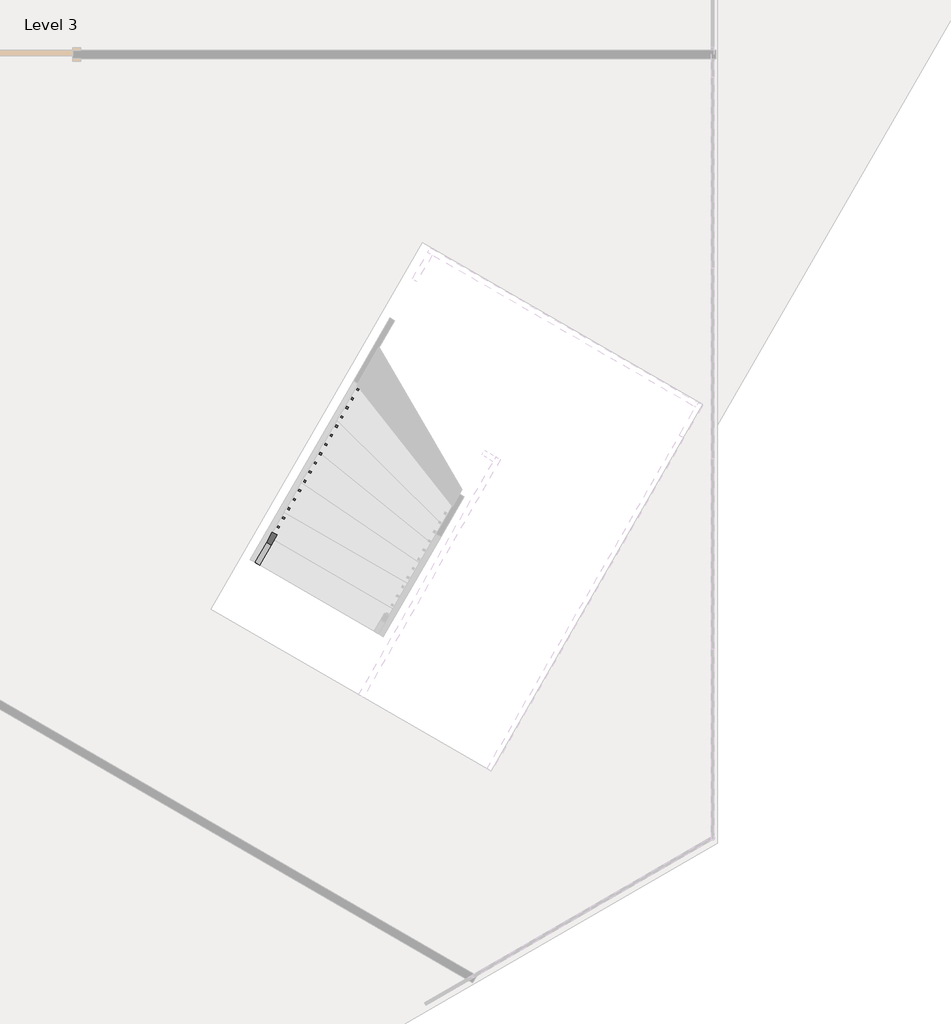
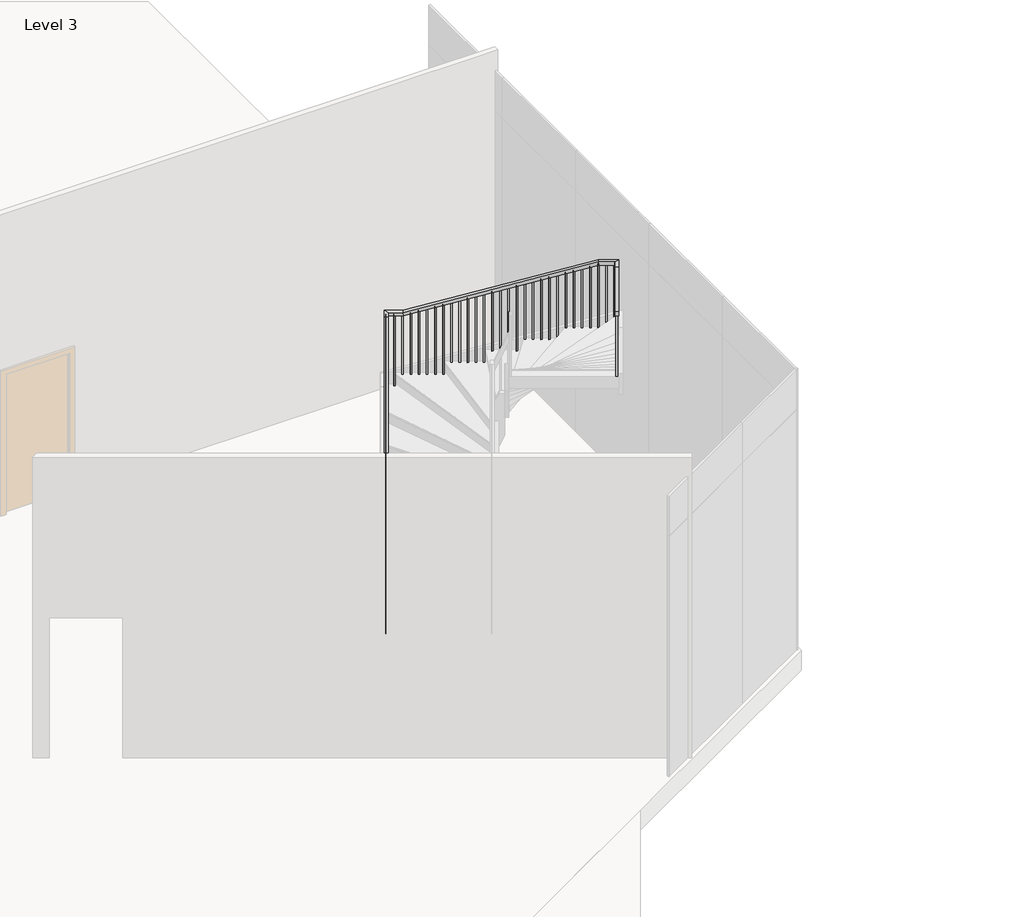
# One storey, part 3 of 5: 1 railing.
"""IFC4 building model written with IfcOpenShell, lengths in millimetres."""

from ifc_helpers import new_model, si_unit, frame, origin, place, context, project, spatial, polyline, outline, extrude, faceted_brep, element, save

model = new_model("IFC4")

# Units and contexts
model_context = context("Model", 3, world=origin())
ifc_project = project(units=[si_unit("LENGTHUNIT", "METRE", prefix="MILLI")], contexts=[model_context])

# Site, building, storey
site = spatial("IfcSite", under=ifc_project)
building = spatial("IfcBuilding", under=site)
storey = spatial("IfcBuildingStorey", under=building, Name="Level 3", Elevation=12192.0)

# Railing
placement = place(None, origin())
element("IfcRailing", 1, ObjectType="Handrail - Rectangular", at=placement, inside=storey, context=model_context, shape_type="SolidModel", body=[
    faceted_brep([(54295.3554538, -117408.8419097, 13282.2461538), (54295.3554538, -117408.8419097, 13225.4945841), (54339.3538093, -117434.2345211, 13225.4945841), (54339.3538093, -117434.2345211, 13282.2461538), (55919.4528111, -114594.7314645, 14900.4336285), (55925.426117, -114584.3813815, 14849.6336285), (55969.4244725, -114609.7739929, 14849.6336285), (55963.4511666, -114620.1240759, 14900.4336285), (55997.1584277, -114460.0891745, 14900.4336285), (55997.1584277, -114460.0891745, 14849.6336285), (56015.7641719, -114529.4801414, 14849.6336285), (56015.7641719, -114529.4801414, 14900.4336285), (56196.5956379, -114575.1896485, 14900.4336285), (56203.3854407, -114579.1082227, 14849.6336285), (56177.9928293, -114623.1065782, 14849.6336285), (56171.2030265, -114619.188004, 14900.4336285), (58305.5331789, -115792.3131245, 15670.2893522), (58312.3229817, -115796.2316988, 15619.4893522), (58286.9303703, -115840.2300543, 15619.4893522), (58280.1405675, -115836.31148, 15670.2893522), (58525.9750192, -115919.5359245, 15670.2893522), (58525.9750192, -115919.5359245, 15619.4893522), (58456.5840523, -115938.1416686, 15619.4893522), (58456.5840523, -115938.1416686, 15670.2893522), (58443.9888374, -116061.5952471, 15670.2893522), (58437.7539841, -116072.3985194, 15619.4893522), (58393.7556285, -116047.005908, 15619.4893522), (58399.9904819, -116036.2026358, 15670.2893522), (56523.2126938, -119389.7677759, 17678.4), (56479.2143382, -119364.3751645, 17678.4), (56479.2143382, -119364.3751645, 17621.0816582), (56523.2126938, -119389.7677759, 17621.0816582)], [[[0, 1, 2, 3]], [[1, 0, 4, 5]], [[2, 1, 5, 6]], [[3, 2, 6, 7]], [[0, 3, 7, 4]], [[5, 4, 8, 9]], [[6, 5, 9, 10]], [[7, 6, 10, 11]], [[4, 7, 11, 8]], [[9, 8, 12, 13]], [[10, 9, 13, 14]], [[11, 10, 14, 15]], [[8, 11, 15, 12]], [[13, 12, 16, 17]], [[14, 13, 17, 18]], [[15, 14, 18, 19]], [[12, 15, 19, 16]], [[17, 16, 20, 21]], [[18, 17, 21, 22]], [[19, 18, 22, 23]], [[16, 19, 23, 20]], [[21, 20, 24, 25]], [[22, 21, 25, 26]], [[23, 22, 26, 27]], [[20, 23, 27, 24]], [[28, 29, 30, 31]], [[25, 24, 28, 31]], [[26, 25, 31, 30]], [[27, 26, 30, 29]], [[24, 27, 29, 28]]]),
    extrude(outline(polyline([(223.6224054, 19.05), (1251.6561526, 19.05), (1251.6561526, 0.0), (233.5775947, 0.0), (223.6224054, 19.05)])), frame((56523.6666546, -119357.2219492, 17839.8099988), z_axis=(-0.8661093604012479, 0.4998545546709976, 0.0), x_axis=(0.0, 0.0, -1.0)), (0.0, 0.0, 1.0), 19.05),
    extrude(outline(polyline([(223.6224054, 19.05), (1198.56181, 19.05), (1198.56181, 0.0), (233.5775946, 0.0), (223.6224054, 19.05)])), frame((56574.4518773, -119269.2252382, 17786.7156562), z_axis=(-0.8661093604012479, 0.4998545546709976, 0.0), x_axis=(0.0, 0.0, -1.0)), (0.0, 0.0, 1.0), 19.05),
    extrude(outline(polyline([(223.6224054, 19.0500001), (1145.4674674, 19.0500001), (1145.4674674, 0.0), (233.5775946, 0.0), (223.6224054, 19.0500001)])), frame((56625.2371001, -119181.2285271, 17733.6213136), z_axis=(-0.8661093604012479, 0.4998545546709976, 0.0), x_axis=(0.0, 0.0, -1.0)), (0.0, 0.0, 1.0), 19.05),
    extrude(outline(polyline([(223.6224053, 19.05), (1268.2192787, 19.05), (1268.2192787, 0.0), (233.5775946, 0.0), (223.6224053, 19.05)])), frame((56676.0223229, -119093.2318161, 17680.526971), z_axis=(-0.8661093604012479, 0.4998545546709976, 0.0), x_axis=(0.0, 0.0, -1.0)), (0.0, 0.0, 1.0), 19.05),
    extrude(outline(polyline([(223.6224054, 19.05), (1215.1249362, 19.05), (1215.1249362, 0.0), (233.5775946, 0.0), (223.6224054, 19.05)])), frame((56726.8075456, -119005.2351051, 17627.4326285), z_axis=(-0.8661093604012479, 0.4998545546709976, 0.0), x_axis=(0.0, 0.0, -1.0)), (0.0, 0.0, 1.0), 19.05),
    extrude(outline(polyline([(223.6224054, 19.05), (1162.0305936, 19.05), (1162.0305936, 0.0), (233.5775946, 0.0), (223.6224054, 19.05)])), frame((56777.5927684, -118917.2383941, 17574.3382859), z_axis=(-0.8661093604012479, 0.4998545546709976, 0.0), x_axis=(0.0, 0.0, -1.0)), (0.0, 0.0, 1.0), 19.05),
    extrude(outline(polyline([(223.6224053, 19.05), (1284.7824048, 19.05), (1284.7824048, 0.0), (233.5775946, 0.0), (223.6224053, 19.05)])), frame((56828.3779911, -118829.2416831, 17521.2439433), z_axis=(-0.8661093604012479, 0.4998545546709976, 0.0), x_axis=(0.0, 0.0, -1.0)), (0.0, 0.0, 1.0), 19.05),
    extrude(outline(polyline([(223.6224054, 19.05), (1231.6880623, 19.05), (1231.6880623, 0.0), (233.5775946, 0.0), (223.6224054, 19.05)])), frame((56879.1632139, -118741.2449721, 17468.1496008), z_axis=(-0.8661093604012479, 0.4998545546709976, 0.0), x_axis=(0.0, 0.0, -1.0)), (0.0, 0.0, 1.0), 19.05),
    extrude(outline(polyline([(223.6224054, 19.05), (1178.5937197, 19.05), (1178.5937197, 0.0), (233.5775946, 0.0), (223.6224054, 19.05)])), frame((56929.9484366, -118653.248261, 17415.0552582), z_axis=(-0.8661093604012479, 0.4998545546709976, 0.0), x_axis=(0.0, 0.0, -1.0)), (0.0, 0.0, 1.0), 19.05),
    extrude(outline(polyline([(223.6224053, 19.05), (1301.345531, 19.05), (1301.345531, 0.0), (233.5775946, 0.0), (223.6224053, 19.05)])), frame((56980.7336594, -118565.25155, 17361.9609156), z_axis=(-0.8661093604012479, 0.4998545546709976, 0.0), x_axis=(0.0, 0.0, -1.0)), (0.0, 0.0, 1.0), 19.05),
    extrude(outline(polyline([(223.6224054, 19.05), (1248.2511885, 19.05), (1248.2511885, 0.0), (233.5775946, 0.0), (223.6224054, 19.05)])), frame((57031.5188821, -118477.254839, 17308.8665731), z_axis=(-0.8661093604012479, 0.4998545546709976, 0.0), x_axis=(0.0, 0.0, -1.0)), (0.0, 0.0, 1.0), 19.05),
    extrude(outline(polyline([(223.6224054, 19.05), (1195.1568459, 19.05), (1195.1568459, 0.0), (233.5775946, 0.0), (223.6224054, 19.05)])), frame((57082.3041049, -118389.258128, 17255.7722305), z_axis=(-0.8661093604012479, 0.4998545546709976, 0.0), x_axis=(0.0, 0.0, -1.0)), (0.0, 0.0, 1.0), 19.05),
    extrude(outline(polyline([(223.6224053, 19.05), (1317.9086571, 19.05), (1317.9086571, 0.0), (233.5775946, 0.0), (223.6224053, 19.05)])), frame((57133.0893276, -118301.261417, 17202.6778879), z_axis=(-0.8661093604012479, 0.4998545546709976, 0.0), x_axis=(0.0, 0.0, -1.0)), (0.0, 0.0, 1.0), 19.05),
    extrude(outline(polyline([(223.6224054, 19.05), (1264.8143146, 19.05), (1264.8143146, 0.0), (233.5775946, 0.0), (223.6224054, 19.05)])), frame((57183.8745504, -118213.264706, 17149.5835454), z_axis=(-0.8661093604012479, 0.4998545546709976, 0.0), x_axis=(0.0, 0.0, -1.0)), (0.0, 0.0, 1.0), 19.05),
    extrude(outline(polyline([(223.6224054, 19.0500001), (1211.719972, 19.0500001), (1211.719972, 0.0), (233.5775946, 0.0), (223.6224054, 19.0500001)])), frame((57234.6597732, -118125.2679949, 17096.4892028), z_axis=(-0.8661093604012479, 0.4998545546709976, 0.0), x_axis=(0.0, 0.0, -1.0)), (0.0, 0.0, 1.0), 19.05),
    extrude(outline(polyline([(223.6224053, 19.05), (1334.4717833, 19.05), (1334.4717833, 0.0), (233.5775946, 0.0), (223.6224053, 19.05)])), frame((57285.4449959, -118037.2712839, 17043.3948602), z_axis=(-0.8661093604012479, 0.4998545546709976, 0.0), x_axis=(0.0, 0.0, -1.0)), (0.0, 0.0, 1.0), 19.05),
    extrude(outline(polyline([(223.6224054, 19.05), (1281.3774408, 19.05), (1281.3774408, 0.0), (233.5775946, 0.0), (223.6224054, 19.05)])), frame((57336.2302187, -117949.2745729, 16990.3005177), z_axis=(-0.8661093604012479, 0.4998545546709976, 0.0), x_axis=(0.0, 0.0, -1.0)), (0.0, 0.0, 1.0), 19.05),
    extrude(outline(polyline([(223.6224054, 19.05), (1228.2830982, 19.05), (1228.2830982, 0.0), (233.5775946, 0.0), (223.6224054, 19.05)])), frame((57387.0154414, -117861.2778619, 16937.2061751), z_axis=(-0.8661093604012479, 0.4998545546709976, 0.0), x_axis=(0.0, 0.0, -1.0)), (0.0, 0.0, 1.0), 19.05),
    extrude(outline(polyline([(223.6224053, 19.05), (1351.0349094, 19.05), (1351.0349094, 0.0), (233.5775946, 0.0), (223.6224053, 19.05)])), frame((57437.8006642, -117773.2811509, 16884.1118325), z_axis=(-0.8661093604012479, 0.4998545546709976, 0.0), x_axis=(0.0, 0.0, -1.0)), (0.0, 0.0, 1.0), 19.05),
    extrude(outline(polyline([(223.6224054, 19.05), (1297.9405669, 19.05), (1297.9405669, 0.0), (233.5775946, 0.0), (223.6224054, 19.05)])), frame((57488.5858869, -117685.2844399, 16831.01749), z_axis=(-0.8661093604012479, 0.4998545546709976, 0.0), x_axis=(0.0, 0.0, -1.0)), (0.0, 0.0, 1.0), 19.05),
    extrude(outline(polyline([(223.6224054, 19.0500001), (1244.8462243, 19.0500001), (1244.8462243, 0.0), (233.5775946, 0.0), (223.6224054, 19.0500001)])), frame((57539.3711097, -117597.2877288, 16777.9231474), z_axis=(-0.8661093604012479, 0.4998545546709976, 0.0), x_axis=(0.0, 0.0, -1.0)), (0.0, 0.0, 1.0), 19.05),
    extrude(outline(polyline([(223.6224053, 19.05), (1191.7518817, 19.05), (1191.7518817, 0.0), (233.5775946, 0.0), (223.6224053, 19.05)])), frame((57590.1563324, -117509.2910178, 16724.8288048), z_axis=(-0.8661093604012479, 0.4998545546709976, 0.0), x_axis=(0.0, 0.0, -1.0)), (0.0, 0.0, 1.0), 19.05),
    extrude(outline(polyline([(223.6224054, 19.05), (1314.5036931, 19.05), (1314.5036931, 0.0), (233.5775946, 0.0), (223.6224054, 19.05)])), frame((57640.9415552, -117421.2943068, 16671.7344623), z_axis=(-0.8661093604012479, 0.4998545546709976, 0.0), x_axis=(0.0, 0.0, -1.0)), (0.0, 0.0, 1.0), 19.05),
    extrude(outline(polyline([(223.6224054, 19.05), (1261.4093505, 19.05), (1261.4093505, 0.0), (233.5775946, 0.0), (223.6224054, 19.05)])), frame((57691.7267779, -117333.2975958, 16618.6401197), z_axis=(-0.8661093604012479, 0.4998545546709976, 0.0), x_axis=(0.0, 0.0, -1.0)), (0.0, 0.0, 1.0), 19.05),
    extrude(outline(polyline([(223.6224053, 19.05), (1208.3150079, 19.05), (1208.3150079, 0.0), (233.5775946, 0.0), (223.6224053, 19.05)])), frame((57742.5120007, -117245.3008848, 16565.5457771), z_axis=(-0.8661093604012479, 0.4998545546709976, 0.0), x_axis=(0.0, 0.0, -1.0)), (0.0, 0.0, 1.0), 19.05),
    extrude(outline(polyline([(223.6224054, 19.05), (1331.0668192, 19.05), (1331.0668192, 0.0), (233.5775946, 0.0), (223.6224054, 19.05)])), frame((57793.2972235, -117157.3041738, 16512.4514346), z_axis=(-0.8661093604012479, 0.4998545546709976, 0.0), x_axis=(0.0, 0.0, -1.0)), (0.0, 0.0, 1.0), 19.05),
    extrude(outline(polyline([(223.6224054, 19.0500001), (1277.9724766, 19.0500001), (1277.9724766, 0.0), (233.5775946, 0.0), (223.6224054, 19.0500001)])), frame((57844.0824462, -117069.3074627, 16459.357092), z_axis=(-0.8661093604012479, 0.4998545546709976, 0.0), x_axis=(0.0, 0.0, -1.0)), (0.0, 0.0, 1.0), 19.05),
    extrude(outline(polyline([(223.6224053, 19.05), (1224.878134, 19.05), (1224.878134, 0.0), (233.5775946, 0.0), (223.6224053, 19.05)])), frame((57894.867669, -116981.3107517, 16406.2627494), z_axis=(-0.8661093604012479, 0.4998545546709976, 0.0), x_axis=(0.0, 0.0, -1.0)), (0.0, 0.0, 1.0), 19.05),
    extrude(outline(polyline([(223.6224054, 19.05), (1171.7837915, 19.05), (1171.7837915, 0.0), (233.5775946, 0.0), (223.6224054, 19.05)])), frame((57945.6528917, -116893.3140407, 16353.1684069), z_axis=(-0.8661093604012479, 0.4998545546709976, 0.0), x_axis=(0.0, 0.0, -1.0)), (0.0, 0.0, 1.0), 19.05),
    extrude(outline(polyline([(223.6224054, 19.05), (1294.5356028, 19.05), (1294.5356028, 0.0), (233.5775946, 0.0), (223.6224054, 19.05)])), frame((57996.4381145, -116805.3173297, 16300.0740643), z_axis=(-0.8661093604012479, 0.4998545546709976, 0.0), x_axis=(0.0, 0.0, -1.0)), (0.0, 0.0, 1.0), 19.05),
    extrude(outline(polyline([(223.6224053, 19.05), (1241.4412602, 19.05), (1241.4412602, 0.0), (233.5775946, 0.0), (223.6224053, 19.05)])), frame((58047.2233372, -116717.3206187, 16246.9797217), z_axis=(-0.8661093604012479, 0.4998545546709976, 0.0), x_axis=(0.0, 0.0, -1.0)), (0.0, 0.0, 1.0), 19.05),
    extrude(outline(polyline([(223.6224054, 19.05), (1188.3469177, 19.05), (1188.3469177, 0.0), (233.5775946, 0.0), (223.6224054, 19.05)])), frame((58098.00856, -116629.3239077, 16193.8853792), z_axis=(-0.8661093604012479, 0.4998545546709976, 0.0), x_axis=(0.0, 0.0, -1.0)), (0.0, 0.0, 1.0), 19.05),
    extrude(outline(polyline([(223.6224054, 19.05), (1135.2525751, 19.05), (1135.2525751, 0.0), (233.5775946, 0.0), (223.6224054, 19.05)])), frame((58148.7937827, -116541.3271966, 16140.7910366), z_axis=(-0.8661093604012479, 0.4998545546709976, 0.0), x_axis=(0.0, 0.0, -1.0)), (0.0, 0.0, 1.0), 19.05),
    extrude(outline(polyline([(223.6224053, 19.05), (1258.0043863, 19.05), (1258.0043863, 0.0), (233.5775946, 0.0), (223.6224053, 19.05)])), frame((58199.5790055, -116453.3304856, 16087.696694), z_axis=(-0.8661093604012479, 0.4998545546709976, 0.0), x_axis=(0.0, 0.0, -1.0)), (0.0, 0.0, 1.0), 19.05),
    extrude(outline(polyline([(223.6224054, 19.05), (1204.9100438, 19.05), (1204.9100438, 0.0), (233.5775946, 0.0), (223.6224054, 19.05)])), frame((58250.3642282, -116365.3337746, 16034.6023515), z_axis=(-0.8661093604012479, 0.4998545546709976, 0.0), x_axis=(0.0, 0.0, -1.0)), (0.0, 0.0, 1.0), 19.05),
    extrude(outline(polyline([(223.6224054, 19.05), (1151.8157012, 19.05), (1151.8157012, 0.0), (233.5775946, 0.0), (223.6224054, 19.05)])), frame((58301.149451, -116277.3370636, 15981.5080089), z_axis=(-0.8661093604012479, 0.4998545546709976, 0.0), x_axis=(0.0, 0.0, -1.0)), (0.0, 0.0, 1.0), 19.05),
    extrude(outline(polyline([(223.6224053, 19.05), (1098.7213586, 19.05), (1098.7213586, 0.0), (233.5775946, 0.0), (223.6224053, 19.05)])), frame((58351.9346738, -116189.3403526, 15928.4136663), z_axis=(-0.8661093604012479, 0.4998545546709976, 0.0), x_axis=(0.0, 0.0, -1.0)), (0.0, 0.0, 1.0), 19.05),
    extrude(outline(polyline([(223.6224054, 19.05), (1045.6270161, 19.05), (1045.6270161, 0.0), (233.5775946, 0.0), (223.6224054, 19.05)])), frame((58402.7198965, -116101.3436416, 15875.3193238), z_axis=(-0.8661093604012479, 0.4998545546709976, 0.0), x_axis=(0.0, 0.0, -1.0)), (0.0, 0.0, 1.0), 19.05),
    extrude(outline(polyline([(58453.5051193, -116013.3469305), (58443.98289, -116029.8463139), (58427.4835067, -116020.3240846), (58437.0057359, -116003.8247013), (58453.5051193, -116013.3469305)])), frame((0.0, 0.0, 14829.6923077), z_axis=(0.0, 0.0, 1.0), x_axis=(1.0, 0.0, 0.0)), (0.0, 0.0, 1.0), 789.7970445),
    extrude(outline(polyline([(58466.8806313, -115903.7600888), (58483.3800146, -115913.2823181), (58473.8577853, -115929.7817014), (58457.358402, -115920.2594721), (58466.8806313, -115903.7600888)])), frame((0.0, 0.0, 14653.8461538), z_axis=(0.0, 0.0, 1.0), x_axis=(1.0, 0.0, 0.0)), (0.0, 0.0, 1.0), 965.6431983),
    extrude(outline(polyline([(58378.8839202, -115852.974866), (58395.3833036, -115862.4970953), (58385.8610743, -115878.9964786), (58369.361691, -115869.4742494), (58378.8839202, -115852.974866)])), frame((0.0, 0.0, 14653.8461538), z_axis=(0.0, 0.0, 1.0), x_axis=(1.0, 0.0, 0.0)), (0.0, 0.0, 1.0), 965.6431983),
    extrude(outline(polyline([(58290.8872092, -115802.1896433), (58307.3865925, -115811.7118726), (58297.8643633, -115828.2112559), (58281.36498, -115818.6890266), (58290.8872092, -115802.1896433)])), frame((0.0, 0.0, 14653.8461538), z_axis=(0.0, 0.0, 1.0), x_axis=(1.0, 0.0, 0.0)), (0.0, 0.0, 1.0), 965.6431983),
    extrude(outline(polyline([(231.6115033, 19.05), (1160.203689, 19.05), (1160.203689, 0.0), (225.5884967, 0.0), (231.6115033, 19.05)])), frame((58209.8676523, -115777.4260331, 15814.0498428), z_axis=(0.49985455467099926, 0.866109360401247, 0.0), x_axis=(0.0, 0.0, -1.0)), (0.0, 0.0, 1.0), 19.05),
    extrude(outline(polyline([(231.6115033, 19.05), (1128.0809873, 19.05), (1128.0809873, 0.0), (225.5884967, 0.0), (231.6115033, 19.05)])), frame((58121.8709412, -115726.6408104, 15781.9271411), z_axis=(0.49985455467099926, 0.866109360401247, 0.0), x_axis=(0.0, 0.0, -1.0)), (0.0, 0.0, 1.0), 19.05),
    extrude(outline(polyline([(231.6115033, 19.05), (1095.9582855, 19.05), (1095.9582855, 0.0), (225.5884967, 0.0), (231.6115033, 19.05)])), frame((58033.8742302, -115675.8555876, 15749.8044393), z_axis=(0.49985455467099926, 0.866109360401247, 0.0), x_axis=(0.0, 0.0, -1.0)), (0.0, 0.0, 1.0), 19.05),
    extrude(outline(polyline([(231.6115033, 19.05), (1063.8355838, 19.05), (1063.8355838, 0.0), (225.5884967, 0.0), (231.6115033, 19.05)])), frame((57945.8775192, -115625.0703649, 15717.6817376), z_axis=(0.49985455467099926, 0.866109360401247, 0.0), x_axis=(0.0, 0.0, -1.0)), (0.0, 0.0, 1.0), 19.05),
    extrude(outline(polyline([(231.6115033, 19.05), (1207.5590358, 19.05), (1207.5590358, 0.0), (225.5884967, 0.0), (231.6115033, 19.05)])), frame((57857.8808082, -115574.2851421, 15685.5590358), z_axis=(0.49985455467099926, 0.866109360401247, 0.0), x_axis=(0.0, 0.0, -1.0)), (0.0, 0.0, 1.0), 19.05),
    extrude(outline(polyline([(231.6115033, 19.05), (1175.4363341, 19.05), (1175.4363341, 0.0), (225.5884967, 0.0), (231.6115033, 19.05)])), frame((57769.8840972, -115523.4999193, 15653.4363341), z_axis=(0.49985455467099926, 0.866109360401247, 0.0), x_axis=(0.0, 0.0, -1.0)), (0.0, 0.0, 1.0), 19.05),
    extrude(outline(polyline([(231.6115033, 19.0500001), (1143.3136323, 19.0500001), (1143.3136323, 0.0), (225.5884967, 0.0), (231.6115033, 19.0500001)])), frame((57681.8873862, -115472.7146966, 15621.3136323), z_axis=(0.49985455467099926, 0.866109360401247, 0.0), x_axis=(0.0, 0.0, -1.0)), (0.0, 0.0, 1.0), 19.05),
    extrude(outline(polyline([(231.6115033, 19.05), (1111.1909306, 19.05), (1111.1909306, 0.0), (225.5884967, 0.0), (231.6115033, 19.05)])), frame((57593.8906751, -115421.9294738, 15589.1909306), z_axis=(0.49985455467099926, 0.866109360401247, 0.0), x_axis=(0.0, 0.0, -1.0)), (0.0, 0.0, 1.0), 19.05),
    extrude(outline(polyline([(231.6115033, 19.05), (1079.0682288, 19.05), (1079.0682288, 0.0), (225.5884967, 0.0), (231.6115033, 19.05)])), frame((57505.8939641, -115371.1442511, 15557.0682288), z_axis=(0.49985455467099926, 0.866109360401247, 0.0), x_axis=(0.0, 0.0, -1.0)), (0.0, 0.0, 1.0), 19.05),
    extrude(outline(polyline([(231.6115033, 19.05), (1222.7916809, 19.05), (1222.7916809, 0.0), (225.5884967, 0.0), (231.6115033, 19.05)])), frame((57417.8972531, -115320.3590283, 15524.9455271), z_axis=(0.49985455467099926, 0.866109360401247, 0.0), x_axis=(0.0, 0.0, -1.0)), (0.0, 0.0, 1.0), 19.05),
    extrude(outline(polyline([(231.6115033, 19.05), (1190.6689791, 19.05), (1190.6689791, 0.0), (225.5884967, 0.0), (231.6115033, 19.05)])), frame((57329.9005421, -115269.5738056, 15492.8228253), z_axis=(0.49985455467099926, 0.866109360401247, 0.0), x_axis=(0.0, 0.0, -1.0)), (0.0, 0.0, 1.0), 19.05),
    extrude(outline(polyline([(231.6115033, 19.05), (1158.5462774, 19.05), (1158.5462774, 0.0), (225.5884968, 0.0), (231.6115033, 19.05)])), frame((57241.9038311, -115218.7885828, 15460.7001236), z_axis=(0.49985455467099926, 0.866109360401247, 0.0), x_axis=(0.0, 0.0, -1.0)), (0.0, 0.0, 1.0), 19.05),
    extrude(outline(polyline([(231.6115033, 19.0500001), (1126.4235756, 19.0500001), (1126.4235756, 0.0), (225.5884967, 0.0), (231.6115033, 19.0500001)])), frame((57153.9071201, -115168.0033601, 15428.5774218), z_axis=(0.49985455467099926, 0.866109360401247, 0.0), x_axis=(0.0, 0.0, -1.0)), (0.0, 0.0, 1.0), 19.05),
    extrude(outline(polyline([(231.6115033, 19.05), (1270.1470278, 19.05), (1270.1470278, 0.0), (225.5884968, 0.0), (231.6115033, 19.05)])), frame((57065.910409, -115117.2181373, 15396.4547201), z_axis=(0.49985455467099926, 0.866109360401247, 0.0), x_axis=(0.0, 0.0, -1.0)), (0.0, 0.0, 1.0), 19.05),
    extrude(outline(polyline([(231.6115033, 19.05), (1238.024326, 19.05), (1238.024326, 0.0), (225.5884967, 0.0), (231.6115033, 19.05)])), frame((56977.913698, -115066.4329146, 15364.3320183), z_axis=(0.49985455467099926, 0.866109360401247, 0.0), x_axis=(0.0, 0.0, -1.0)), (0.0, 0.0, 1.0), 19.05),
    extrude(outline(polyline([(231.6115033, 19.05), (1205.9016243, 19.05), (1205.9016243, 0.0), (225.5884968, 0.0), (231.6115033, 19.05)])), frame((56889.916987, -115015.6476918, 15332.2093166), z_axis=(0.49985455467099926, 0.866109360401247, 0.0), x_axis=(0.0, 0.0, -1.0)), (0.0, 0.0, 1.0), 19.05),
    extrude(outline(polyline([(231.6115033, 19.05), (1173.7789225, 19.05), (1173.7789225, 0.0), (225.5884967, 0.0), (231.6115033, 19.05)])), frame((56801.920276, -114964.862469, 15300.0866148), z_axis=(0.49985455467099926, 0.866109360401247, 0.0), x_axis=(0.0, 0.0, -1.0)), (0.0, 0.0, 1.0), 19.05),
    extrude(outline(polyline([(231.6115033, 19.05), (1141.6562208, 19.05), (1141.6562208, 0.0), (225.5884968, 0.0), (231.6115033, 19.05)])), frame((56713.923565, -114914.0772463, 15267.9639131), z_axis=(0.49985455467099926, 0.866109360401247, 0.0), x_axis=(0.0, 0.0, -1.0)), (0.0, 0.0, 1.0), 19.05),
    extrude(outline(polyline([(231.6115033, 19.05), (1285.3796728, 19.05), (1285.3796728, 0.0), (225.5884967, 0.0), (231.6115033, 19.05)])), frame((56625.926854, -114863.2920235, 15235.8412113), z_axis=(0.49985455467099926, 0.866109360401247, 0.0), x_axis=(0.0, 0.0, -1.0)), (0.0, 0.0, 1.0), 19.05),
    extrude(outline(polyline([(231.6115033, 19.05), (1253.2569711, 19.05), (1253.2569711, 0.0), (225.5884968, 0.0), (231.6115033, 19.05)])), frame((56537.9301429, -114812.5068008, 15203.7185096), z_axis=(0.49985455467099926, 0.866109360401247, 0.0), x_axis=(0.0, 0.0, -1.0)), (0.0, 0.0, 1.0), 19.05),
    extrude(outline(polyline([(231.6115033, 19.05), (1221.1342693, 19.05), (1221.1342693, 0.0), (225.5884967, 0.0), (231.6115033, 19.05)])), frame((56449.9334319, -114761.721578, 15171.5958078), z_axis=(0.49985455467099926, 0.866109360401247, 0.0), x_axis=(0.0, 0.0, -1.0)), (0.0, 0.0, 1.0), 19.05),
    extrude(outline(polyline([(231.6115033, 19.05), (1189.0115676, 19.05), (1189.0115676, 0.0), (225.5884968, 0.0), (231.6115033, 19.05)])), frame((56361.9367209, -114710.9363553, 15139.4731061), z_axis=(0.49985455467099926, 0.866109360401247, 0.0), x_axis=(0.0, 0.0, -1.0)), (0.0, 0.0, 1.0), 19.05),
    extrude(outline(polyline([(231.6115033, 19.05), (1156.8888658, 19.05), (1156.8888658, 0.0), (225.5884967, 0.0), (231.6115033, 19.05)])), frame((56273.9400099, -114660.1511325, 15107.3504043), z_axis=(0.49985455467099926, 0.866109360401247, 0.0), x_axis=(0.0, 0.0, -1.0)), (0.0, 0.0, 1.0), 19.05),
    extrude(outline(polyline([(56178.9661448, -114583.3442972), (56195.4655281, -114592.8665264), (56185.9432989, -114609.3659098), (56169.4439156, -114599.8436805), (56178.9661448, -114583.3442972)])), frame((0.0, 0.0, 13950.4615385), z_axis=(0.0, 0.0, 1.0), x_axis=(1.0, 0.0, 0.0)), (0.0, 0.0, 1.0), 899.17209),
    extrude(outline(polyline([(56090.9694338, -114532.5590744), (56107.4688171, -114542.0813037), (56097.9465879, -114558.580687), (56081.4472045, -114549.0584577), (56090.9694338, -114532.5590744)])), frame((0.0, 0.0, 13774.6153846), z_axis=(0.0, 0.0, 1.0), x_axis=(1.0, 0.0, 0.0)), (0.0, 0.0, 1.0), 1075.0182439),
    extrude(outline(polyline([(55980.2561762, -114521.1353288), (55989.7784055, -114504.6359455), (56006.2777888, -114514.1581748), (55996.7555595, -114530.6575581), (55980.2561762, -114521.1353288)])), frame((0.0, 0.0, 13774.6153846), z_axis=(0.0, 0.0, 1.0), x_axis=(1.0, 0.0, 0.0)), (0.0, 0.0, 1.0), 1075.0182439),
    extrude(outline(polyline([(55929.4709534, -114609.1320398), (55938.9931827, -114592.6326565), (55955.492566, -114602.1548858), (55945.9703368, -114618.6542691), (55929.4709534, -114609.1320398)])), frame((0.0, 0.0, 13774.6153846), z_axis=(0.0, 0.0, 1.0), x_axis=(1.0, 0.0, 0.0)), (0.0, 0.0, 1.0), 1075.0182439),
    extrude(outline(polyline([(233.3437895, 19.05), (1248.0922759, 19.05), (1248.0922759, 0.0), (223.8562104, 0.0), (233.3437895, 19.05)])), frame((55904.7073433, -114690.1515968, 15022.7076605), z_axis=(-0.8661093604012486, 0.4998545546709967, 0.0), x_axis=(0.0, 0.0, -1.0)), (0.0, 0.0, 1.0), 19.05),
    extrude(outline(polyline([(233.3437895, 19.05), (1197.4918541, 19.05), (1197.4918541, 0.0), (223.8562104, 0.0), (233.3437895, 19.05)])), frame((55853.9221205, -114778.1483078, 14972.1072387), z_axis=(-0.8661093604012486, 0.4998545546709967, 0.0), x_axis=(0.0, 0.0, -1.0)), (0.0, 0.0, 1.0), 19.05),
    extrude(outline(polyline([(233.3437895, 19.05), (1146.8914323, 19.05), (1146.8914323, 0.0), (223.8562104, 0.0), (233.3437895, 19.05)])), frame((55803.1368978, -114866.1450189, 14921.5068169), z_axis=(-0.8661093604012486, 0.4998545546709967, 0.0), x_axis=(0.0, 0.0, -1.0)), (0.0, 0.0, 1.0), 19.05),
    extrude(outline(polyline([(233.3437896, 19.05), (1096.2910105, 19.05), (1096.2910105, 0.0), (223.8562105, 0.0), (233.3437896, 19.05)])), frame((55752.351675, -114954.1417299, 14870.9063951), z_axis=(-0.8661093604012486, 0.4998545546709967, 0.0), x_axis=(0.0, 0.0, -1.0)), (0.0, 0.0, 1.0), 19.05),
    extrude(outline(polyline([(233.3437896, 19.05), (1221.5367425, 19.05), (1221.5367425, 0.0), (223.8562105, 0.0), (233.3437896, 19.05)])), frame((55701.5664523, -115042.1384409, 14820.3059733), z_axis=(-0.8661093604012486, 0.4998545546709967, 0.0), x_axis=(0.0, 0.0, -1.0)), (0.0, 0.0, 1.0), 19.05),
    extrude(outline(polyline([(233.3437895, 19.05), (1170.9363206, 19.05), (1170.9363206, 0.0), (223.8562104, 0.0), (233.3437895, 19.05)])), frame((55650.7812295, -115130.1351519, 14769.7055514), z_axis=(-0.8661093604012486, 0.4998545546709967, 0.0), x_axis=(0.0, 0.0, -1.0)), (0.0, 0.0, 1.0), 19.05),
    extrude(outline(polyline([(233.3437895, 19.05), (1120.3358988, 19.05), (1120.3358988, 0.0), (223.8562104, 0.0), (233.3437895, 19.05)])), frame((55599.9960067, -115218.1318629, 14719.1051296), z_axis=(-0.8661093604012486, 0.4998545546709967, 0.0), x_axis=(0.0, 0.0, -1.0)), (0.0, 0.0, 1.0), 19.05),
    extrude(outline(polyline([(233.3437896, 19.0500001), (1069.735477, 19.0500001), (1069.735477, 0.0), (223.8562105, 0.0), (233.3437896, 19.0500001)])), frame((55549.210784, -115306.1285739, 14668.5047078), z_axis=(-0.8661093604012486, 0.4998545546709967, 0.0), x_axis=(0.0, 0.0, -1.0)), (0.0, 0.0, 1.0), 19.05),
    extrude(outline(polyline([(233.3437896, 19.05), (1019.1350552, 19.05), (1019.1350552, 0.0), (223.8562105, 0.0), (233.3437896, 19.05)])), frame((55498.4255612, -115394.125285, 14617.904286), z_axis=(-0.8661093604012486, 0.4998545546709967, 0.0), x_axis=(0.0, 0.0, -1.0)), (0.0, 0.0, 1.0), 19.05),
    extrude(outline(polyline([(233.3437896, 19.05), (1144.3807873, 19.05), (1144.3807873, 0.0), (223.8562105, 0.0), (233.3437896, 19.05)])), frame((55447.6403385, -115482.121996, 14567.3038642), z_axis=(-0.8661093604012486, 0.4998545546709967, 0.0), x_axis=(0.0, 0.0, -1.0)), (0.0, 0.0, 1.0), 19.05),
    extrude(outline(polyline([(233.3437895, 19.05), (1093.7803654, 19.05), (1093.7803654, 0.0), (223.8562104, 0.0), (233.3437895, 19.05)])), frame((55396.8551157, -115570.118707, 14516.7034423), z_axis=(-0.8661093604012486, 0.4998545546709967, 0.0), x_axis=(0.0, 0.0, -1.0)), (0.0, 0.0, 1.0), 19.05),
    extrude(outline(polyline([(233.3437895, 19.05), (1043.1799436, 19.05), (1043.1799436, 0.0), (223.8562104, 0.0), (233.3437895, 19.05)])), frame((55346.069893, -115658.115418, 14466.1030205), z_axis=(-0.8661093604012486, 0.4998545546709967, 0.0), x_axis=(0.0, 0.0, -1.0)), (0.0, 0.0, 1.0), 19.05),
    extrude(outline(polyline([(233.3437896, 19.05), (1168.4256756, 19.05), (1168.4256756, 0.0), (223.8562105, 0.0), (233.3437896, 19.05)])), frame((55295.2846702, -115746.112129, 14415.5025987), z_axis=(-0.8661093604012486, 0.4998545546709967, 0.0), x_axis=(0.0, 0.0, -1.0)), (0.0, 0.0, 1.0), 19.05),
    extrude(outline(polyline([(233.3437896, 19.0500001), (1117.8252538, 19.0500001), (1117.8252538, 0.0), (223.8562105, 0.0), (233.3437896, 19.0500001)])), frame((55244.4994475, -115834.10884, 14364.9021769), z_axis=(-0.8661093604012486, 0.4998545546709967, 0.0), x_axis=(0.0, 0.0, -1.0)), (0.0, 0.0, 1.0), 19.05),
    extrude(outline(polyline([(233.3437895, 19.05), (1067.2248319, 19.05), (1067.2248319, 0.0), (223.8562104, 0.0), (233.3437895, 19.05)])), frame((55193.7142247, -115922.1055511, 14314.301755), z_axis=(-0.8661093604012486, 0.4998545546709967, 0.0), x_axis=(0.0, 0.0, -1.0)), (0.0, 0.0, 1.0), 19.05),
    extrude(outline(polyline([(233.3437895, 19.05), (1016.6244101, 19.05), (1016.6244101, 0.0), (223.8562104, 0.0), (233.3437895, 19.05)])), frame((55142.929002, -116010.1022621, 14263.7013332), z_axis=(-0.8661093604012486, 0.4998545546709967, 0.0), x_axis=(0.0, 0.0, -1.0)), (0.0, 0.0, 1.0), 19.05),
    extrude(outline(polyline([(233.3437895, 19.05), (1141.8701422, 19.05), (1141.8701422, 0.0), (223.8562105, 0.0), (233.3437895, 19.05)])), frame((55092.1437792, -116098.0989731, 14213.1009114), z_axis=(-0.8661093604012486, 0.4998545546709967, 0.0), x_axis=(0.0, 0.0, -1.0)), (0.0, 0.0, 1.0), 19.05),
    extrude(outline(polyline([(233.3437896, 19.05), (1091.2697204, 19.05), (1091.2697204, 0.0), (223.8562105, 0.0), (233.3437896, 19.05)])), frame((55041.3585564, -116186.0956841, 14162.5004896), z_axis=(-0.8661093604012486, 0.4998545546709967, 0.0), x_axis=(0.0, 0.0, -1.0)), (0.0, 0.0, 1.0), 19.05),
    extrude(outline(polyline([(233.3437896, 19.05), (1040.6692986, 19.05), (1040.6692986, 0.0), (223.8562105, 0.0), (233.3437896, 19.05)])), frame((54990.5733337, -116274.0923951, 14111.9000678), z_axis=(-0.8661093604012486, 0.4998545546709967, 0.0), x_axis=(0.0, 0.0, -1.0)), (0.0, 0.0, 1.0), 19.05),
    extrude(outline(polyline([(233.3437895, 19.05), (1165.9150305, 19.05), (1165.9150305, 0.0), (223.8562104, 0.0), (233.3437895, 19.05)])), frame((54939.7881109, -116362.0891061, 14061.2996459), z_axis=(-0.8661093604012486, 0.4998545546709967, 0.0), x_axis=(0.0, 0.0, -1.0)), (0.0, 0.0, 1.0), 19.05),
    extrude(outline(polyline([(233.3437895, 19.05), (1115.3146087, 19.05), (1115.3146087, 0.0), (223.8562104, 0.0), (233.3437895, 19.05)])), frame((54889.0028882, -116450.0858172, 14010.6992241), z_axis=(-0.8661093604012486, 0.4998545546709967, 0.0), x_axis=(0.0, 0.0, -1.0)), (0.0, 0.0, 1.0), 19.05),
    extrude(outline(polyline([(233.3437896, 19.05), (1064.7141869, 19.05), (1064.7141869, 0.0), (223.8562105, 0.0), (233.3437896, 19.05)])), frame((54838.2176654, -116538.0825282, 13960.0988023), z_axis=(-0.8661093604012486, 0.4998545546709967, 0.0), x_axis=(0.0, 0.0, -1.0)), (0.0, 0.0, 1.0), 19.05),
    extrude(outline(polyline([(233.3437896, 19.05), (1014.1137651, 19.05), (1014.1137651, 0.0), (223.8562105, 0.0), (233.3437896, 19.05)])), frame((54787.4324427, -116626.0792392, 13909.4983805), z_axis=(-0.8661093604012486, 0.4998545546709967, 0.0), x_axis=(0.0, 0.0, -1.0)), (0.0, 0.0, 1.0), 19.05),
    extrude(outline(polyline([(233.3437895, 19.05), (1139.3594971, 19.05), (1139.3594971, 0.0), (223.8562104, 0.0), (233.3437895, 19.05)])), frame((54736.6472199, -116714.0759502, 13858.8979586), z_axis=(-0.8661093604012486, 0.4998545546709967, 0.0), x_axis=(0.0, 0.0, -1.0)), (0.0, 0.0, 1.0), 19.05),
    extrude(outline(polyline([(233.3437895, 19.05), (1088.7590753, 19.05), (1088.7590753, 0.0), (223.8562104, 0.0), (233.3437895, 19.05)])), frame((54685.8619972, -116802.0726612, 13808.2975368), z_axis=(-0.8661093604012486, 0.4998545546709967, 0.0), x_axis=(0.0, 0.0, -1.0)), (0.0, 0.0, 1.0), 19.05),
    extrude(outline(polyline([(233.3437895, 19.0500001), (1038.1586535, 19.0500001), (1038.1586535, 0.0), (223.8562105, 0.0), (233.3437895, 19.0500001)])), frame((54635.0767744, -116890.0693722, 13757.697115), z_axis=(-0.8661093604012486, 0.4998545546709967, 0.0), x_axis=(0.0, 0.0, -1.0)), (0.0, 0.0, 1.0), 19.05),
    extrude(outline(polyline([(233.3437896, 19.05), (1163.4043855, 19.05), (1163.4043855, 0.0), (223.8562105, 0.0), (233.3437896, 19.05)])), frame((54584.2915517, -116978.0660833, 13707.0966932), z_axis=(-0.8661093604012486, 0.4998545546709967, 0.0), x_axis=(0.0, 0.0, -1.0)), (0.0, 0.0, 1.0), 19.05),
    extrude(outline(polyline([(233.3437896, 19.05), (1112.8039637, 19.05), (1112.8039637, 0.0), (223.8562105, 0.0), (233.3437896, 19.05)])), frame((54533.5063289, -117066.0627943, 13656.4962714), z_axis=(-0.8661093604012486, 0.4998545546709967, 0.0), x_axis=(0.0, 0.0, -1.0)), (0.0, 0.0, 1.0), 19.05),
    extrude(outline(polyline([(233.3437895, 19.05), (1062.2035418, 19.05), (1062.2035418, 0.0), (223.8562104, 0.0), (233.3437895, 19.05)])), frame((54482.7211061, -117154.0595053, 13605.8958495), z_axis=(-0.8661093604012486, 0.4998545546709967, 0.0), x_axis=(0.0, 0.0, -1.0)), (0.0, 0.0, 1.0), 19.05),
    extrude(outline(polyline([(233.3437895, 19.05), (1187.4492739, 19.05), (1187.4492739, 0.0), (223.8562104, 0.0), (233.3437895, 19.05)])), frame((54431.9358834, -117242.0562163, 13555.2954277), z_axis=(-0.8661093604012486, 0.4998545546709967, 0.0), x_axis=(0.0, 0.0, -1.0)), (0.0, 0.0, 1.0), 19.05),
    extrude(outline(polyline([(233.3437896, 19.05), (1136.8488521, 19.05), (1136.8488521, 0.0), (223.8562105, 0.0), (233.3437896, 19.05)])), frame((54381.1506606, -117330.0529273, 13504.6950059), z_axis=(-0.8661093604012486, 0.4998545546709967, 0.0), x_axis=(0.0, 0.0, -1.0)), (0.0, 0.0, 1.0), 19.05),
    extrude(outline(polyline([(58487.7909587, -115915.8279903), (58504.290342, -115925.3502195), (58494.7681127, -115941.8496028), (58478.2687294, -115932.3273736), (58487.7909587, -115915.8279903)])), frame((0.0, 0.0, 14828.329724), z_axis=(0.0, 0.0, 1.0), x_axis=(1.0, 0.0, 0.0)), (0.0, 0.0, 1.0), 791.1596282),
    extrude(outline(polyline([(55993.4504935, -114498.273235), (56002.9727228, -114481.7738517), (56019.4721061, -114491.2960809), (56009.9498768, -114507.7954643), (55993.4504935, -114498.273235)])), frame((0.0, 0.0, 13774.6153846), z_axis=(0.0, 0.0, 1.0), x_axis=(1.0, 0.0, 0.0)), (0.0, 0.0, 1.0), 1075.0182439),
    extrude(outline(polyline([(223.6224054, 19.05), (1256.5502174, 19.05), (1256.5502174, 0.0), (233.5775946, 0.0), (223.6224054, 19.05)])), frame((56518.9854369, -119365.3332015, 17844.7040636), z_axis=(-0.8661093604012479, 0.4998545546709976, 0.0), x_axis=(0.0, 0.0, -1.0)), (0.0, 0.0, 1.0), 19.05),
    extrude(outline(polyline([(233.3437895, 19.05), (1090.9922198, 19.05), (1090.9922198, 0.0), (223.8562104, 0.0), (233.3437895, 19.05)])), frame((54335.1265525, -117409.7999467, 13458.8383736), z_axis=(-0.8661093604012486, 0.4998545546709967, 0.0), x_axis=(0.0, 0.0, -1.0)), (0.0, 0.0, 1.0), 19.05),
])

save(model, "model.ifc")
